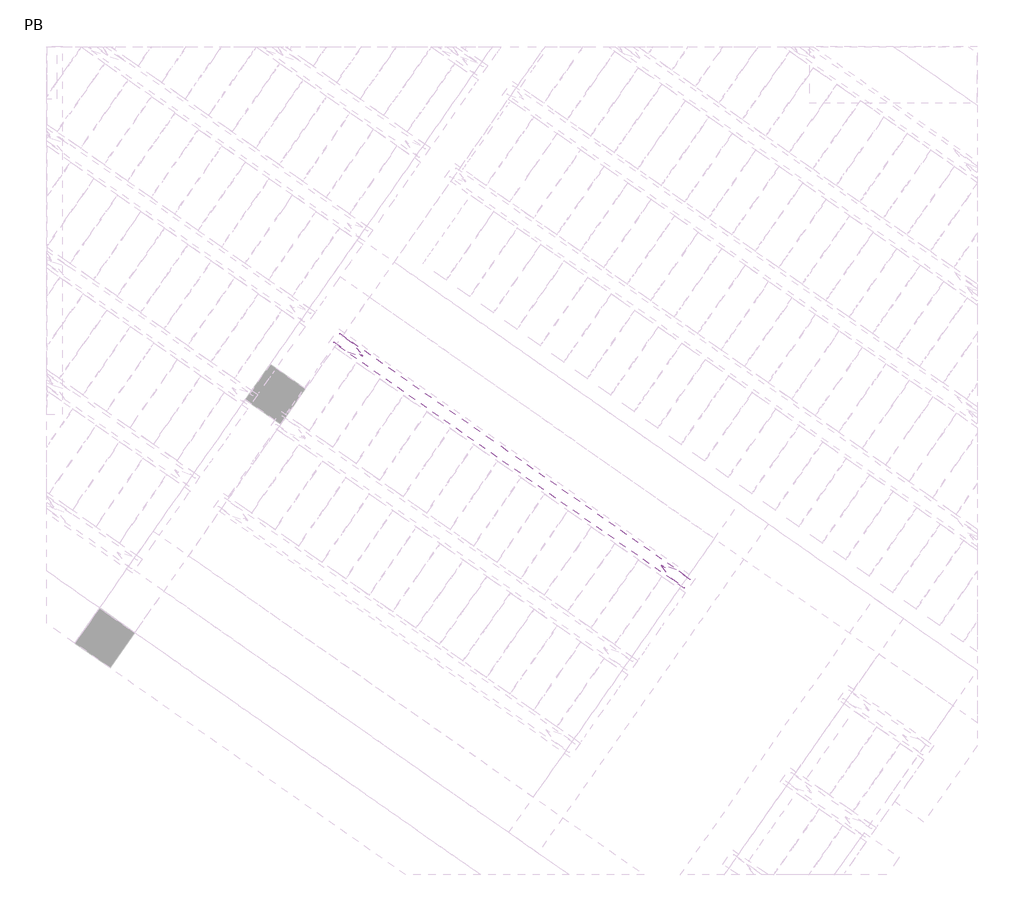
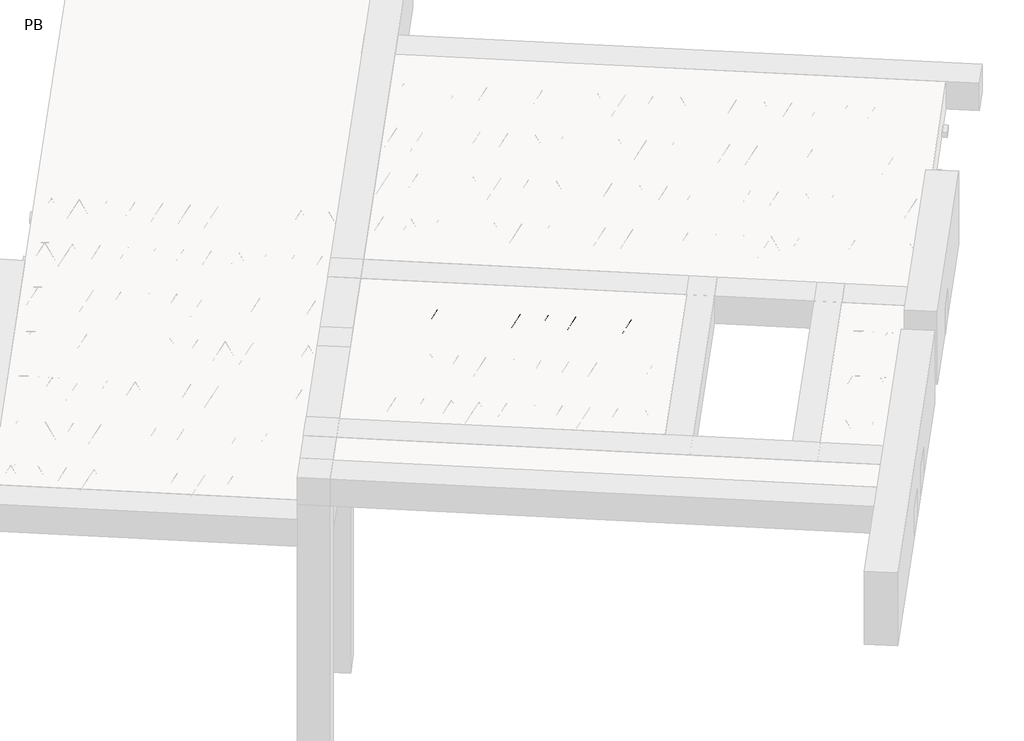
# One storey, part 11 of 56: 1 beam.
"""IFC4 building model written with IfcOpenShell, lengths in millimetres."""

from ifc_helpers import new_model, si_unit, point, frame, origin, origin_2d, place, context, project, spatial, circle_curve, trimmed, segment, composite_curve, outline, extrude, element, save

model = new_model("IFC4")

# Units and contexts
model_context = context("Model", 3, world=origin())
ifc_project = project(units=[si_unit("LENGTHUNIT", "METRE", prefix="MILLI")], contexts=[model_context])

# Site, building, storey
site = spatial("IfcSite", under=ifc_project)
building = spatial("IfcBuilding", under=site)
storey = spatial("IfcBuildingStorey", under=building, Name="PB", Elevation=95940.0)

# Beam
placement = place(None, origin())
element("IfcBeam", 1, at=placement, inside=storey, context=model_context, shape_type="SweptSolid", body=[
    extrude(outline(composite_curve([segment(trimmed(circle_curve(origin_2d(), 2.5), [point((-2.5, 0.0))], [point((2.5, 0.0))], False, "CARTESIAN"), True, "CONTINUOUS"), segment(trimmed(circle_curve(origin_2d(), 2.5), [point((2.5, 0.0))], [point((-2.5, 0.0))], False, "CARTESIAN"), True, "CONTINUOUS")], self_intersect=False)), frame((4997.1200664, 913.202729, 99245.0), z_axis=(-0.8191520442696126, 0.5735764363787226, 0.0), x_axis=(0.5735764363787226, 0.8191520442696126, 0.0)), (0.0, 0.0, 1.0), 2987.184468),
    extrude(outline(composite_curve([segment(trimmed(circle_curve(origin_2d(), 2.5), [point((-2.5, 0.0))], [point((2.5, 0.0))], False, "CARTESIAN"), True, "CONTINUOUS"), segment(trimmed(circle_curve(origin_2d(), 2.5), [point((2.5, 0.0))], [point((-2.5, 0.0))], False, "CARTESIAN"), True, "CONTINUOUS")], self_intersect=False)), frame((4859.1873437, 1053.7321464, 99470.0), z_axis=(-0.8191520442696126, 0.5735764363787226, 0.0), x_axis=(0.5735764363787226, 0.8191520442696126, 0.0)), (0.0, 0.0, 1.0), 2600.0),
    extrude(outline(composite_curve([segment(trimmed(circle_curve(origin_2d(), 2.5), [point((-2.5, -1e-07))], [point((2.5, 0.0))], False, "CARTESIAN"), True, "CONTINUOUS"), segment(trimmed(circle_curve(origin_2d(), 2.5), [point((2.5, 0.0))], [point((-2.5, -1e-07))], False, "CARTESIAN"), True, "CONTINUOUS")], self_intersect=False)), frame((4899.9749953, 981.2244401, 99245.0), z_axis=(-0.3145304735701046, 0.38933448886848654, 0.8657304643902053), x_axis=(0.7778747638402499, 0.6284193279813057, 0.0)), (0.0, 0.0, 1.0), 259.8961331),
    extrude(outline(composite_curve([segment(trimmed(circle_curve(origin_2d(), 2.5), [point((2.5000001, 0.0))], [point((-2.5, 0.0))], False, "CARTESIAN"), True, "CONTINUOUS"), segment(trimmed(circle_curve(origin_2d(), 2.5), [point((-2.5, 0.0))], [point((2.5000001, 0.0))], False, "CARTESIAN"), True, "CONTINUOUS")], self_intersect=False)), frame((4695.1869842, 1124.6185492, 99245.0), z_axis=(0.47343050384693375, -0.16240172737369005, 0.8657304643902051), x_axis=(-0.3244721671091268, -0.9458952440791246, 0.0)), (0.0, 0.0, 1.0), 259.8961331),
    extrude(outline(composite_curve([segment(trimmed(circle_curve(origin_2d(), 2.5), [point((-2.5, -1e-07))], [point((2.5, 0.0))], False, "CARTESIAN"), True, "CONTINUOUS"), segment(trimmed(circle_curve(origin_2d(), 2.5), [point((2.5, 0.0))], [point((-2.5, -1e-07))], False, "CARTESIAN"), True, "CONTINUOUS")], self_intersect=False)), frame((4695.1869842, 1124.6185492, 99245.0), z_axis=(-0.3145304735701046, 0.38933448886848654, 0.8657304643902053), x_axis=(0.7778747638402499, 0.6284193279813057, 0.0)), (0.0, 0.0, 1.0), 259.8961331),
    extrude(outline(composite_curve([segment(trimmed(circle_curve(origin_2d(), 2.5), [point((2.5000001, 0.0))], [point((-2.5, 1e-07))], False, "CARTESIAN"), True, "CONTINUOUS"), segment(trimmed(circle_curve(origin_2d(), 2.5), [point((-2.5, 1e-07))], [point((2.5000001, 0.0))], False, "CARTESIAN"), True, "CONTINUOUS")], self_intersect=False)), frame((4490.3989731, 1268.0126583, 99245.0), z_axis=(0.47343050384693375, -0.16240172737369005, 0.8657304643902051), x_axis=(-0.3244721671091268, -0.9458952440791246, 0.0)), (0.0, 0.0, 1.0), 259.8961331),
    extrude(outline(composite_curve([segment(trimmed(circle_curve(origin_2d(), 2.5), [point((-2.5, -1e-07))], [point((2.5000001, -1e-07))], False, "CARTESIAN"), True, "CONTINUOUS"), segment(trimmed(circle_curve(origin_2d(), 2.5), [point((2.5000001, -1e-07))], [point((-2.5, -1e-07))], False, "CARTESIAN"), True, "CONTINUOUS")], self_intersect=False)), frame((4490.3989731, 1268.0126583, 99245.0), z_axis=(-0.3145304735701046, 0.38933448886848654, 0.8657304643902053), x_axis=(0.7778747638402499, 0.6284193279813057, 0.0)), (0.0, 0.0, 1.0), 259.8961331),
    extrude(outline(composite_curve([segment(trimmed(circle_curve(origin_2d(), 2.5), [point((2.5, 0.0))], [point((-2.5000001, 0.0))], False, "CARTESIAN"), True, "CONTINUOUS"), segment(trimmed(circle_curve(origin_2d(), 2.5), [point((-2.5000001, 0.0))], [point((2.5, 0.0))], False, "CARTESIAN"), True, "CONTINUOUS")], self_intersect=False)), frame((4285.6109621, 1411.4067673, 99245.0), z_axis=(0.47343050384693375, -0.16240172737369005, 0.8657304643902051), x_axis=(-0.3244721671091268, -0.9458952440791246, 0.0)), (0.0, 0.0, 1.0), 259.8961331),
    extrude(outline(composite_curve([segment(trimmed(circle_curve(origin_2d(), 2.5), [point((-2.5, 0.0))], [point((2.5, 1e-07))], False, "CARTESIAN"), True, "CONTINUOUS"), segment(trimmed(circle_curve(origin_2d(), 2.5), [point((2.5, 1e-07))], [point((-2.5, 0.0))], False, "CARTESIAN"), True, "CONTINUOUS")], self_intersect=False)), frame((4285.6109621, 1411.4067673, 99245.0), z_axis=(-0.3145304735701046, 0.38933448886848654, 0.8657304643902053), x_axis=(0.7778747638402499, 0.6284193279813057, 0.0)), (0.0, 0.0, 1.0), 259.8961331),
    extrude(outline(composite_curve([segment(trimmed(circle_curve(origin_2d(), 2.5), [point((2.5, 0.0))], [point((-2.5000001, 0.0))], False, "CARTESIAN"), True, "CONTINUOUS"), segment(trimmed(circle_curve(origin_2d(), 2.5), [point((-2.5000001, 0.0))], [point((2.5, 0.0))], False, "CARTESIAN"), True, "CONTINUOUS")], self_intersect=False)), frame((4080.822951, 1554.8008764, 99245.0), z_axis=(0.47343050384693375, -0.16240172737369005, 0.8657304643902051), x_axis=(-0.3244721671091268, -0.9458952440791246, 0.0)), (0.0, 0.0, 1.0), 259.8961331),
    extrude(outline(composite_curve([segment(trimmed(circle_curve(origin_2d(), 2.5), [point((-2.5, 0.0))], [point((2.5, 0.0))], False, "CARTESIAN"), True, "CONTINUOUS"), segment(trimmed(circle_curve(origin_2d(), 2.5), [point((2.5, 0.0))], [point((-2.5, 0.0))], False, "CARTESIAN"), True, "CONTINUOUS")], self_intersect=False)), frame((4080.8229512, 1554.8008763, 99245.0), z_axis=(-0.3145304735701046, 0.38933448886848654, 0.8657304643902053), x_axis=(0.7778747638402499, 0.6284193279813057, 0.0)), (0.0, 0.0, 1.0), 259.8961331),
    extrude(outline(composite_curve([segment(trimmed(circle_curve(origin_2d(), 2.5), [point((2.5, 0.0))], [point((-2.5, 0.0))], False, "CARTESIAN"), True, "CONTINUOUS"), segment(trimmed(circle_curve(origin_2d(), 2.5), [point((-2.5, 0.0))], [point((2.5, 0.0))], False, "CARTESIAN"), True, "CONTINUOUS")], self_intersect=False)), frame((3876.0349401, 1698.1949854, 99245.0), z_axis=(0.47343050384693375, -0.16240172737369005, 0.8657304643902051), x_axis=(-0.3244721671091268, -0.9458952440791246, 0.0)), (0.0, 0.0, 1.0), 259.8961331),
    extrude(outline(composite_curve([segment(trimmed(circle_curve(origin_2d(), 2.5), [point((-2.5, 0.0))], [point((2.5, 0.0))], False, "CARTESIAN"), True, "CONTINUOUS"), segment(trimmed(circle_curve(origin_2d(), 2.5), [point((2.5, 0.0))], [point((-2.5, 0.0))], False, "CARTESIAN"), True, "CONTINUOUS")], self_intersect=False)), frame((3876.0349401, 1698.1949854, 99245.0), z_axis=(-0.3145304735701046, 0.38933448886848654, 0.8657304643902053), x_axis=(0.7778747638402499, 0.6284193279813057, 0.0)), (0.0, 0.0, 1.0), 259.8961331),
    extrude(outline(composite_curve([segment(trimmed(circle_curve(origin_2d(), 2.5), [point((2.5, 0.0))], [point((-2.5, 1e-07))], False, "CARTESIAN"), True, "CONTINUOUS"), segment(trimmed(circle_curve(origin_2d(), 2.5), [point((-2.5, 1e-07))], [point((2.5, 0.0))], False, "CARTESIAN"), True, "CONTINUOUS")], self_intersect=False)), frame((3671.246929, 1841.5890945, 99245.0), z_axis=(0.47343050384693375, -0.16240172737369005, 0.8657304643902051), x_axis=(-0.3244721671091268, -0.9458952440791246, 0.0)), (0.0, 0.0, 1.0), 259.8961331),
    extrude(outline(composite_curve([segment(trimmed(circle_curve(origin_2d(), 2.5), [point((-2.5, 0.0))], [point((2.5000001, -1e-07))], False, "CARTESIAN"), True, "CONTINUOUS"), segment(trimmed(circle_curve(origin_2d(), 2.5), [point((2.5000001, -1e-07))], [point((-2.5, 0.0))], False, "CARTESIAN"), True, "CONTINUOUS")], self_intersect=False)), frame((3671.246929, 1841.5890945, 99245.0), z_axis=(-0.3145304735701046, 0.38933448886848654, 0.8657304643902053), x_axis=(0.7778747638402499, 0.6284193279813057, 0.0)), (0.0, 0.0, 1.0), 259.8961331),
    extrude(outline(composite_curve([segment(trimmed(circle_curve(origin_2d(), 2.5), [point((2.5, 0.0))], [point((-2.5, 0.0))], False, "CARTESIAN"), True, "CONTINUOUS"), segment(trimmed(circle_curve(origin_2d(), 2.5), [point((-2.5, 0.0))], [point((2.5, 0.0))], False, "CARTESIAN"), True, "CONTINUOUS")], self_intersect=False)), frame((3466.458918, 1984.9832036, 99245.0), z_axis=(0.47343050384693375, -0.16240172737369005, 0.8657304643902051), x_axis=(-0.3244721671091268, -0.9458952440791246, 0.0)), (0.0, 0.0, 1.0), 259.8961331),
    extrude(outline(composite_curve([segment(trimmed(circle_curve(origin_2d(), 2.5), [point((-2.5, 0.0))], [point((2.5, 0.0))], False, "CARTESIAN"), True, "CONTINUOUS"), segment(trimmed(circle_curve(origin_2d(), 2.5), [point((2.5, 0.0))], [point((-2.5, 0.0))], False, "CARTESIAN"), True, "CONTINUOUS")], self_intersect=False)), frame((3466.458918, 1984.9832036, 99245.0), z_axis=(-0.3145304735701046, 0.38933448886848654, 0.8657304643902053), x_axis=(0.7778747638402499, 0.6284193279813057, 0.0)), (0.0, 0.0, 1.0), 259.8961331),
    extrude(outline(composite_curve([segment(trimmed(circle_curve(origin_2d(), 2.5), [point((2.5, 0.0))], [point((-2.5, 0.0))], False, "CARTESIAN"), True, "CONTINUOUS"), segment(trimmed(circle_curve(origin_2d(), 2.5), [point((-2.5, 0.0))], [point((2.5, 0.0))], False, "CARTESIAN"), True, "CONTINUOUS")], self_intersect=False)), frame((3261.6709069, 2128.3773127, 99245.0), z_axis=(0.47343050384693375, -0.16240172737369005, 0.8657304643902051), x_axis=(-0.3244721671091268, -0.9458952440791246, 0.0)), (0.0, 0.0, 1.0), 259.8961331),
    extrude(outline(composite_curve([segment(trimmed(circle_curve(origin_2d(), 2.5), [point((-2.5, 0.0))], [point((2.5, 0.0))], False, "CARTESIAN"), True, "CONTINUOUS"), segment(trimmed(circle_curve(origin_2d(), 2.5), [point((2.5, 0.0))], [point((-2.5, 0.0))], False, "CARTESIAN"), True, "CONTINUOUS")], self_intersect=False)), frame((3261.6709069, 2128.3773127, 99245.0), z_axis=(-0.3145304735701046, 0.38933448886848654, 0.8657304643902053), x_axis=(0.7778747638402499, 0.6284193279813057, 0.0)), (0.0, 0.0, 1.0), 259.8961331),
    extrude(outline(composite_curve([segment(trimmed(circle_curve(origin_2d(), 2.5), [point((2.5, 0.0))], [point((-2.5, 1e-07))], False, "CARTESIAN"), True, "CONTINUOUS"), segment(trimmed(circle_curve(origin_2d(), 2.5), [point((-2.5, 1e-07))], [point((2.5, 0.0))], False, "CARTESIAN"), True, "CONTINUOUS")], self_intersect=False)), frame((3056.8828958, 2271.7714218, 99245.0), z_axis=(0.47343050384693375, -0.16240172737369005, 0.8657304643902051), x_axis=(-0.3244721671091268, -0.9458952440791246, 0.0)), (0.0, 0.0, 1.0), 259.8961331),
    extrude(outline(composite_curve([segment(trimmed(circle_curve(origin_2d(), 2.5), [point((-2.5, 0.0))], [point((2.5, 0.0))], False, "CARTESIAN"), True, "CONTINUOUS"), segment(trimmed(circle_curve(origin_2d(), 2.5), [point((2.5, 0.0))], [point((-2.5, 0.0))], False, "CARTESIAN"), True, "CONTINUOUS")], self_intersect=False)), frame((3056.8828958, 2271.7714218, 99245.0), z_axis=(-0.3145304735701046, 0.38933448886848654, 0.8657304643902053), x_axis=(0.7778747638402499, 0.6284193279813057, 0.0)), (0.0, 0.0, 1.0), 259.8961331),
    extrude(outline(composite_curve([segment(trimmed(circle_curve(origin_2d(), 2.5), [point((2.5, 0.0))], [point((-2.5, 0.0))], False, "CARTESIAN"), True, "CONTINUOUS"), segment(trimmed(circle_curve(origin_2d(), 2.5), [point((-2.5, 0.0))], [point((2.5, 0.0))], False, "CARTESIAN"), True, "CONTINUOUS")], self_intersect=False)), frame((2852.0948848, 2415.1655309, 99245.0), z_axis=(0.47343050384693375, -0.16240172737369005, 0.8657304643902051), x_axis=(-0.3244721671091268, -0.9458952440791246, 0.0)), (0.0, 0.0, 1.0), 259.8961331),
    extrude(outline(composite_curve([segment(trimmed(circle_curve(origin_2d(), 2.5), [point((-2.5, 0.0))], [point((2.5, 0.0))], False, "CARTESIAN"), True, "CONTINUOUS"), segment(trimmed(circle_curve(origin_2d(), 2.5), [point((2.5, 0.0))], [point((-2.5, 0.0))], False, "CARTESIAN"), True, "CONTINUOUS")], self_intersect=False)), frame((2852.0948848, 2415.1655309, 99245.0), z_axis=(-0.3145304735701046, 0.38933448886848654, 0.8657304643902053), x_axis=(0.7778747638402499, 0.6284193279813057, 0.0)), (0.0, 0.0, 1.0), 259.8961331),
    extrude(outline(composite_curve([segment(trimmed(circle_curve(origin_2d(), 2.5), [point((2.5, 0.0))], [point((-2.5, 0.0))], False, "CARTESIAN"), True, "CONTINUOUS"), segment(trimmed(circle_curve(origin_2d(), 2.5), [point((-2.5, 0.0))], [point((2.5, 0.0))], False, "CARTESIAN"), True, "CONTINUOUS")], self_intersect=False)), frame((2647.3068737, 2558.55964, 99245.0), z_axis=(0.47343050384693375, -0.16240172737369005, 0.8657304643902051), x_axis=(-0.3244721671091268, -0.9458952440791246, 0.0)), (0.0, 0.0, 1.0), 259.8961331),
    extrude(outline(composite_curve([segment(trimmed(circle_curve(origin_2d(), 2.5), [point((-2.5, 0.0))], [point((2.5, 0.0))], False, "CARTESIAN"), True, "CONTINUOUS"), segment(trimmed(circle_curve(origin_2d(), 2.5), [point((2.5, 0.0))], [point((-2.5, 0.0))], False, "CARTESIAN"), True, "CONTINUOUS")], self_intersect=False)), frame((5038.4175698, 972.1816762, 99245.0), z_axis=(-0.8191520442696126, 0.5735764363787226, 0.0), x_axis=(0.5735764363787226, 0.8191520442696126, 0.0)), (0.0, 0.0, 1.0), 2987.184468),
    extrude(outline(composite_curve([segment(trimmed(circle_curve(origin_2d(), 2.5), [point((-2.5, 0.0))], [point((2.5000001, 0.0))], False, "CARTESIAN"), True, "CONTINUOUS"), segment(trimmed(circle_curve(origin_2d(), 2.5), [point((2.5000001, 0.0))], [point((-2.5, 0.0))], False, "CARTESIAN"), True, "CONTINUOUS")], self_intersect=False)), frame((4941.2724987, 1040.2033872, 99245.0), z_axis=(-0.47343050384693375, 0.16240172737369005, 0.8657304643902051), x_axis=(0.3244721671091268, 0.9458952440791246, 0.0)), (0.0, 0.0, 1.0), 259.8961331),
    extrude(outline(composite_curve([segment(trimmed(circle_curve(origin_2d(), 2.5), [point((2.5, 0.0))], [point((-2.5, -1e-07))], False, "CARTESIAN"), True, "CONTINUOUS"), segment(trimmed(circle_curve(origin_2d(), 2.5), [point((-2.5, -1e-07))], [point((2.5, 0.0))], False, "CARTESIAN"), True, "CONTINUOUS")], self_intersect=False)), frame((4736.4844876, 1183.5974963, 99245.0), z_axis=(0.3145304735701046, -0.38933448886848654, 0.8657304643902053), x_axis=(-0.7778747638402499, -0.6284193279813057, 0.0)), (0.0, 0.0, 1.0), 259.8961331),
    extrude(outline(composite_curve([segment(trimmed(circle_curve(origin_2d(), 2.5), [point((-2.5, 0.0))], [point((2.5000001, 0.0))], False, "CARTESIAN"), True, "CONTINUOUS"), segment(trimmed(circle_curve(origin_2d(), 2.5), [point((2.5000001, 0.0))], [point((-2.5, 0.0))], False, "CARTESIAN"), True, "CONTINUOUS")], self_intersect=False)), frame((4736.4844876, 1183.5974963, 99245.0), z_axis=(-0.47343050384693375, 0.16240172737369005, 0.8657304643902051), x_axis=(0.3244721671091268, 0.9458952440791246, 0.0)), (0.0, 0.0, 1.0), 259.8961331),
    extrude(outline(composite_curve([segment(trimmed(circle_curve(origin_2d(), 2.5), [point((2.5, 0.0))], [point((-2.5, -1e-07))], False, "CARTESIAN"), True, "CONTINUOUS"), segment(trimmed(circle_curve(origin_2d(), 2.5), [point((-2.5, -1e-07))], [point((2.5, 0.0))], False, "CARTESIAN"), True, "CONTINUOUS")], self_intersect=False)), frame((4531.6964766, 1326.9916054, 99245.0), z_axis=(0.3145304735701046, -0.38933448886848654, 0.8657304643902053), x_axis=(-0.7778747638402499, -0.6284193279813057, 0.0)), (0.0, 0.0, 1.0), 259.8961331),
    extrude(outline(composite_curve([segment(trimmed(circle_curve(origin_2d(), 2.5), [point((-2.5, 1e-07))], [point((2.5, 0.0))], False, "CARTESIAN"), True, "CONTINUOUS"), segment(trimmed(circle_curve(origin_2d(), 2.5), [point((2.5, 0.0))], [point((-2.5, 1e-07))], False, "CARTESIAN"), True, "CONTINUOUS")], self_intersect=False)), frame((4531.6964766, 1326.9916054, 99245.0), z_axis=(-0.47343050384693375, 0.16240172737369005, 0.8657304643902051), x_axis=(0.3244721671091268, 0.9458952440791246, 0.0)), (0.0, 0.0, 1.0), 259.8961331),
    extrude(outline(composite_curve([segment(trimmed(circle_curve(origin_2d(), 2.5), [point((2.5, 0.0))], [point((-2.5, -1e-07))], False, "CARTESIAN"), True, "CONTINUOUS"), segment(trimmed(circle_curve(origin_2d(), 2.5), [point((-2.5, -1e-07))], [point((2.5, 0.0))], False, "CARTESIAN"), True, "CONTINUOUS")], self_intersect=False)), frame((4326.9084655, 1470.3857145, 99245.0), z_axis=(0.3145304735701046, -0.38933448886848654, 0.8657304643902053), x_axis=(-0.7778747638402499, -0.6284193279813057, 0.0)), (0.0, 0.0, 1.0), 259.8961331),
    extrude(outline(composite_curve([segment(trimmed(circle_curve(origin_2d(), 2.5), [point((-2.5, 0.0))], [point((2.5, 0.0))], False, "CARTESIAN"), True, "CONTINUOUS"), segment(trimmed(circle_curve(origin_2d(), 2.5), [point((2.5, 0.0))], [point((-2.5, 0.0))], False, "CARTESIAN"), True, "CONTINUOUS")], self_intersect=False)), frame((4326.9084655, 1470.3857145, 99245.0), z_axis=(-0.47343050384693375, 0.16240172737369005, 0.8657304643902051), x_axis=(0.3244721671091268, 0.9458952440791246, 0.0)), (0.0, 0.0, 1.0), 259.8961331),
    extrude(outline(composite_curve([segment(trimmed(circle_curve(origin_2d(), 2.5), [point((2.5, 0.0))], [point((-2.5, 0.0))], False, "CARTESIAN"), True, "CONTINUOUS"), segment(trimmed(circle_curve(origin_2d(), 2.5), [point((-2.5, 0.0))], [point((2.5, 0.0))], False, "CARTESIAN"), True, "CONTINUOUS")], self_intersect=False)), frame((4122.1204544, 1613.7798236, 99245.0), z_axis=(0.3145304735701046, -0.38933448886848654, 0.8657304643902053), x_axis=(-0.7778747638402499, -0.6284193279813057, 0.0)), (0.0, 0.0, 1.0), 259.8961331),
    extrude(outline(composite_curve([segment(trimmed(circle_curve(origin_2d(), 2.5), [point((-2.5, 0.0))], [point((2.5, 0.0))], False, "CARTESIAN"), True, "CONTINUOUS"), segment(trimmed(circle_curve(origin_2d(), 2.5), [point((2.5, 0.0))], [point((-2.5, 0.0))], False, "CARTESIAN"), True, "CONTINUOUS")], self_intersect=False)), frame((4122.1204546, 1613.7798235, 99245.0), z_axis=(-0.47343050384693375, 0.16240172737369005, 0.8657304643902051), x_axis=(0.3244721671091268, 0.9458952440791246, 0.0)), (0.0, 0.0, 1.0), 259.8961331),
    extrude(outline(composite_curve([segment(trimmed(circle_curve(origin_2d(), 2.5), [point((2.5, 0.0))], [point((-2.5, 0.0))], False, "CARTESIAN"), True, "CONTINUOUS"), segment(trimmed(circle_curve(origin_2d(), 2.5), [point((-2.5, 0.0))], [point((2.5, 0.0))], False, "CARTESIAN"), True, "CONTINUOUS")], self_intersect=False)), frame((3917.3324435, 1757.1739326, 99245.0), z_axis=(0.3145304735701046, -0.38933448886848654, 0.8657304643902053), x_axis=(-0.7778747638402499, -0.6284193279813057, 0.0)), (0.0, 0.0, 1.0), 259.8961331),
    extrude(outline(composite_curve([segment(trimmed(circle_curve(origin_2d(), 2.5), [point((-2.5, 0.0))], [point((2.5, 0.0))], False, "CARTESIAN"), True, "CONTINUOUS"), segment(trimmed(circle_curve(origin_2d(), 2.5), [point((2.5, 0.0))], [point((-2.5, 0.0))], False, "CARTESIAN"), True, "CONTINUOUS")], self_intersect=False)), frame((3917.3324435, 1757.1739326, 99245.0), z_axis=(-0.47343050384693375, 0.16240172737369005, 0.8657304643902051), x_axis=(0.3244721671091268, 0.9458952440791246, 0.0)), (0.0, 0.0, 1.0), 259.8961331),
    extrude(outline(composite_curve([segment(trimmed(circle_curve(origin_2d(), 2.5), [point((2.5, 0.0))], [point((-2.5, 0.0))], False, "CARTESIAN"), True, "CONTINUOUS"), segment(trimmed(circle_curve(origin_2d(), 2.5), [point((-2.5, 0.0))], [point((2.5, 0.0))], False, "CARTESIAN"), True, "CONTINUOUS")], self_intersect=False)), frame((3712.5444325, 1900.5680417, 99245.0), z_axis=(0.3145304735701046, -0.38933448886848654, 0.8657304643902053), x_axis=(-0.7778747638402499, -0.6284193279813057, 0.0)), (0.0, 0.0, 1.0), 259.8961331),
    extrude(outline(composite_curve([segment(trimmed(circle_curve(origin_2d(), 2.5), [point((-2.5, 1e-07))], [point((2.5, 0.0))], False, "CARTESIAN"), True, "CONTINUOUS"), segment(trimmed(circle_curve(origin_2d(), 2.5), [point((2.5, 0.0))], [point((-2.5, 1e-07))], False, "CARTESIAN"), True, "CONTINUOUS")], self_intersect=False)), frame((3712.5444325, 1900.5680417, 99245.0), z_axis=(-0.47343050384693375, 0.16240172737369005, 0.8657304643902051), x_axis=(0.3244721671091268, 0.9458952440791246, 0.0)), (0.0, 0.0, 1.0), 259.8961331),
    extrude(outline(composite_curve([segment(trimmed(circle_curve(origin_2d(), 2.5), [point((2.5, 0.0))], [point((-2.5, 0.0))], False, "CARTESIAN"), True, "CONTINUOUS"), segment(trimmed(circle_curve(origin_2d(), 2.5), [point((-2.5, 0.0))], [point((2.5, 0.0))], False, "CARTESIAN"), True, "CONTINUOUS")], self_intersect=False)), frame((3507.7564214, 2043.9621508, 99245.0), z_axis=(0.3145304735701046, -0.38933448886848654, 0.8657304643902053), x_axis=(-0.7778747638402499, -0.6284193279813057, 0.0)), (0.0, 0.0, 1.0), 259.8961331),
    extrude(outline(composite_curve([segment(trimmed(circle_curve(origin_2d(), 2.5), [point((-2.5, 0.0))], [point((2.5, 0.0))], False, "CARTESIAN"), True, "CONTINUOUS"), segment(trimmed(circle_curve(origin_2d(), 2.5), [point((2.5, 0.0))], [point((-2.5, 0.0))], False, "CARTESIAN"), True, "CONTINUOUS")], self_intersect=False)), frame((3507.7564214, 2043.9621508, 99245.0), z_axis=(-0.47343050384693375, 0.16240172737369005, 0.8657304643902051), x_axis=(0.3244721671091268, 0.9458952440791246, 0.0)), (0.0, 0.0, 1.0), 259.8961331),
    extrude(outline(composite_curve([segment(trimmed(circle_curve(origin_2d(), 2.5), [point((2.5, 0.0))], [point((-2.5, 0.0))], False, "CARTESIAN"), True, "CONTINUOUS"), segment(trimmed(circle_curve(origin_2d(), 2.5), [point((-2.5, 0.0))], [point((2.5, 0.0))], False, "CARTESIAN"), True, "CONTINUOUS")], self_intersect=False)), frame((3302.9684103, 2187.3562599, 99245.0), z_axis=(0.3145304735701046, -0.38933448886848654, 0.8657304643902053), x_axis=(-0.7778747638402499, -0.6284193279813057, 0.0)), (0.0, 0.0, 1.0), 259.8961331),
    extrude(outline(composite_curve([segment(trimmed(circle_curve(origin_2d(), 2.5), [point((-2.5, 0.0))], [point((2.5, 0.0))], False, "CARTESIAN"), True, "CONTINUOUS"), segment(trimmed(circle_curve(origin_2d(), 2.5), [point((2.5, 0.0))], [point((-2.5, 0.0))], False, "CARTESIAN"), True, "CONTINUOUS")], self_intersect=False)), frame((3302.9684103, 2187.3562599, 99245.0), z_axis=(-0.47343050384693375, 0.16240172737369005, 0.8657304643902051), x_axis=(0.3244721671091268, 0.9458952440791246, 0.0)), (0.0, 0.0, 1.0), 259.8961331),
    extrude(outline(composite_curve([segment(trimmed(circle_curve(origin_2d(), 2.5), [point((2.5000001, -1e-07))], [point((-2.5, 0.0))], False, "CARTESIAN"), True, "CONTINUOUS"), segment(trimmed(circle_curve(origin_2d(), 2.5), [point((-2.5, 0.0))], [point((2.5000001, -1e-07))], False, "CARTESIAN"), True, "CONTINUOUS")], self_intersect=False)), frame((3098.1803993, 2330.750369, 99245.0), z_axis=(0.3145304735701046, -0.38933448886848654, 0.8657304643902053), x_axis=(-0.7778747638402499, -0.6284193279813057, 0.0)), (0.0, 0.0, 1.0), 259.8961331),
    extrude(outline(composite_curve([segment(trimmed(circle_curve(origin_2d(), 2.5), [point((-2.5, 1e-07))], [point((2.5, 0.0))], False, "CARTESIAN"), True, "CONTINUOUS"), segment(trimmed(circle_curve(origin_2d(), 2.5), [point((2.5, 0.0))], [point((-2.5, 1e-07))], False, "CARTESIAN"), True, "CONTINUOUS")], self_intersect=False)), frame((3098.1803993, 2330.750369, 99245.0), z_axis=(-0.47343050384693375, 0.16240172737369005, 0.8657304643902051), x_axis=(0.3244721671091268, 0.9458952440791246, 0.0)), (0.0, 0.0, 1.0), 259.8961331),
    extrude(outline(composite_curve([segment(trimmed(circle_curve(origin_2d(), 2.5), [point((2.5, 0.0))], [point((-2.5, 0.0))], False, "CARTESIAN"), True, "CONTINUOUS"), segment(trimmed(circle_curve(origin_2d(), 2.5), [point((-2.5, 0.0))], [point((2.5, 0.0))], False, "CARTESIAN"), True, "CONTINUOUS")], self_intersect=False)), frame((2893.3923882, 2474.1444781, 99245.0), z_axis=(0.3145304735701046, -0.38933448886848654, 0.8657304643902053), x_axis=(-0.7778747638402499, -0.6284193279813057, 0.0)), (0.0, 0.0, 1.0), 259.8961331),
    extrude(outline(composite_curve([segment(trimmed(circle_curve(origin_2d(), 2.5), [point((-2.5, 0.0))], [point((2.5, 0.0))], False, "CARTESIAN"), True, "CONTINUOUS"), segment(trimmed(circle_curve(origin_2d(), 2.5), [point((2.5, 0.0))], [point((-2.5, 0.0))], False, "CARTESIAN"), True, "CONTINUOUS")], self_intersect=False)), frame((2893.3923882, 2474.1444781, 99245.0), z_axis=(-0.47343050384693375, 0.16240172737369005, 0.8657304643902051), x_axis=(0.3244721671091268, 0.9458952440791246, 0.0)), (0.0, 0.0, 1.0), 259.8961331),
    extrude(outline(composite_curve([segment(trimmed(circle_curve(origin_2d(), 2.5), [point((2.5, 0.0))], [point((-2.5, 0.0))], False, "CARTESIAN"), True, "CONTINUOUS"), segment(trimmed(circle_curve(origin_2d(), 2.5), [point((-2.5, 0.0))], [point((2.5, 0.0))], False, "CARTESIAN"), True, "CONTINUOUS")], self_intersect=False)), frame((2688.6043771, 2617.5385872, 99245.0), z_axis=(0.3145304735701046, -0.38933448886848654, 0.8657304643902053), x_axis=(-0.7778747638402499, -0.6284193279813057, 0.0)), (0.0, 0.0, 1.0), 259.8961331),
])

save(model, "model.ifc")
